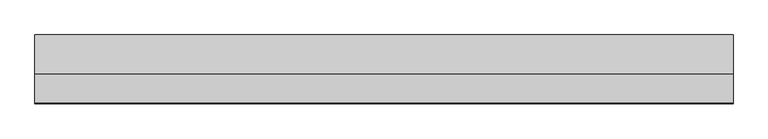
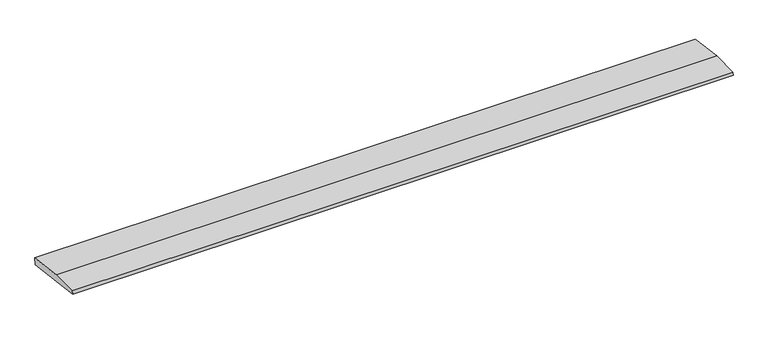
"""IFC4 building model written with IfcOpenShell, lengths in millimetres: beam geometry."""

from ifc_helpers import new_model, si_unit, frame, origin, place, context, project, spatial, polyline, outline, extrude, source, transform, mapped, element, save


def beam_2f0a0f4a(model_context):
    return source(origin(), model_context, "Body", "SweptSolid", [
        extrude(outline(polyline([(0.0, -9.143159), (1.1226388, 0.0), (79.0749747, 0.0), (180.9387048, -12.5072934), (178.6231873, -31.3656703), (0.0, -9.143159)])), frame((-915.8337046, 0.0, 0.0), z_axis=(1.0, 0.0, 0.0), x_axis=(0.0, 1.0, 0.0)), (0.0, 0.0, 1.0), 1831.6674091),
    ])


if __name__ == "__main__":
    model = new_model("IFC4")
    model_context = context("Model", 3, world=origin())
    ifc_project = project(units=[si_unit("LENGTHUNIT", "METRE", prefix="MILLI")], contexts=[model_context])
    site = spatial("IfcSite", under=ifc_project)
    building = spatial("IfcBuilding", under=site)
    placement = place(None, origin())
    beam_shape = beam_2f0a0f4a(model_context)
    element("IfcBeam", 1, at=placement, inside=building, context=model_context, shape_type="MappedRepresentation", body=[
        mapped(beam_shape, transform((0.0, 0.0, 0.0), x_axis=(1.0, 0.0, 0.0), y_axis=(0.0, 1.0, 0.0), z_axis=(0.0, 0.0, 1.0))),
    ])
    save(model, "model.ifc")
